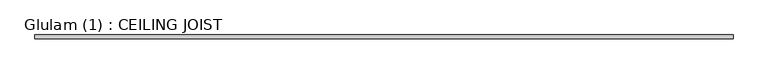
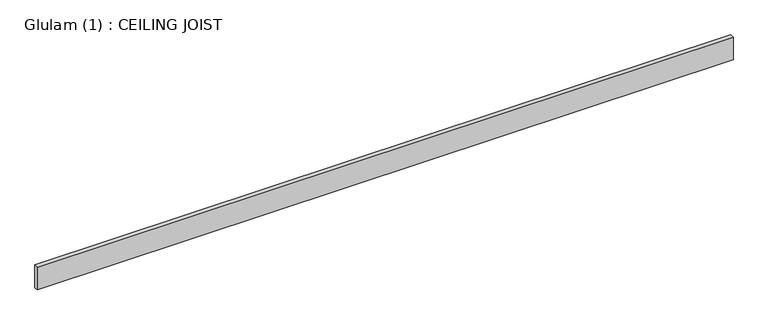
"""IFC4 building model written with IfcOpenShell, lengths in millimetres: beam geometry, Glulam (1) : CEILING JOIST."""

from ifc_helpers import new_model, si_unit, frame, origin, place, context, project, spatial, polyline, outline, extrude, source, transform, mapped, element, save


def glulam_1_ceiling_joist_e17ce895(model_context):
    return source(origin(), model_context, "Body", "SweptSolid", [
        extrude(outline(polyline([(4191.0, 22.5), (4191.0, -22.5), (-4191.0, -22.5), (-4191.0, 22.5), (4191.0, 22.5)])), frame((0.0, 0.0, -145.0), z_axis=(0.0, 0.0, 1.0), x_axis=(1.0, 0.0, 0.0)), (0.0, 0.0, 1.0), 290.0),
    ])


if __name__ == "__main__":
    model = new_model("IFC4")
    model_context = context("Model", 3, world=origin())
    ifc_project = project(units=[si_unit("LENGTHUNIT", "METRE", prefix="MILLI")], contexts=[model_context])
    site = spatial("IfcSite", under=ifc_project)
    building = spatial("IfcBuilding", under=site)
    placement = place(None, origin())
    glulam_1_ceiling_joist_shape = glulam_1_ceiling_joist_e17ce895(model_context)
    element("IfcBeam", 1, ObjectType="Glulam (1) : CEILING JOIST", at=placement, inside=building, context=model_context, shape_type="MappedRepresentation", body=[
        mapped(glulam_1_ceiling_joist_shape, transform((0.0, 0.0, 0.0), x_axis=(1.0, 0.0, 0.0), y_axis=(0.0, 1.0, 0.0), z_axis=(0.0, 0.0, 1.0))),
    ])
    save(model, "model.ifc")
